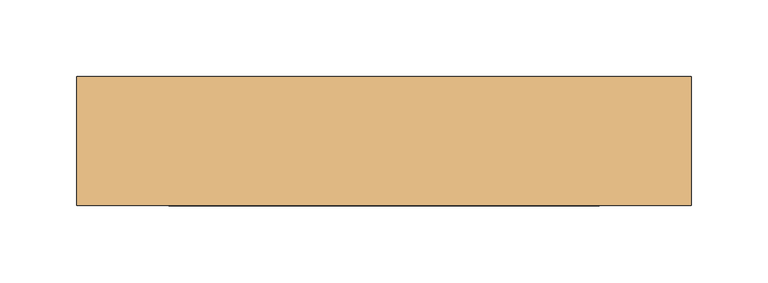
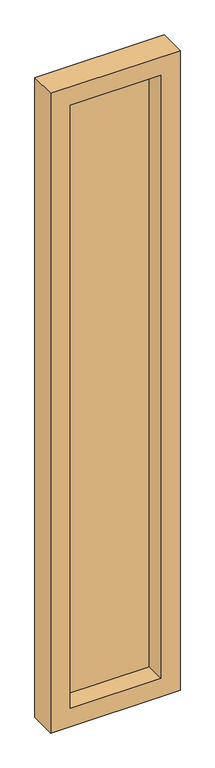
"""IFC4 building model written with IfcOpenShell, lengths in millimetres: door geometry."""

import ifcopenshell
import ifcopenshell.guid

model = None  # the IFC model being written
_history = None  # IfcOwnerHistory: only IFC2X3 demands one
_inside = {}  # id of a spatial element -> (the spatial element, [elements in it])
_under = {}  # id of a project, library or spatial element -> (it, [spatial elements below it])
_declared = {}  # id of a project -> (the project, [libraries it declares])
_typed = {}  # id of a type object -> (the type object, [elements of that type])
_made_of = {}  # id of a material, layer set ... -> (it, [elements and type objects made of it])


def new_model(schema):
    """Start an empty IFC model of exactly this schema.

    Asked for "IFC4X3", IfcOpenShell would pick the latest addendum, in which some entities
    have other attributes; the version numbers below select the first issue.
    IFC2X3 requires an IfcOwnerHistory on every rooted entity: one is made here for all.
    """
    global model, _history
    if schema == "IFC4X3":
        model = ifcopenshell.file(schema_version=(4, 3, 0, 0))
    else:
        model = ifcopenshell.file(schema=schema)
    _inside.clear()
    _under.clear()
    _declared.clear()
    _typed.clear()
    _made_of.clear()
    _history = None
    if model.schema == "IFC2X3":
        org = make("IfcOrganization", Name="unknown")
        user = make(
            "IfcPersonAndOrganization",
            ThePerson=make("IfcPerson", FamilyName="unknown"),
            TheOrganization=org,
        )
        app = make(
            "IfcApplication",
            ApplicationDeveloper=org,
            Version="unknown",
            ApplicationFullName="unknown",
            ApplicationIdentifier="unknown",
        )
        _history = make(
            "IfcOwnerHistory",
            OwningUser=user,
            OwningApplication=app,
            ChangeAction="ADDED",
            CreationDate=0,
        )
    return model


def make(cls, **values):
    """One entity of the class cls with the attributes given. An attribute that is None is left unset."""
    return model.create_entity(
        cls, **{name: value for name, value in values.items() if value is not None}
    )


def rooted(cls, **values):
    """An entity with a GlobalId (a new one), such as an element, a storey or a relation."""
    return make(cls, GlobalId=ifcopenshell.guid.new(), OwnerHistory=_history, **values)


def si_unit(unit_type, name, prefix=None):
    """IfcSIUnit, for example si_unit("LENGTHUNIT", "METRE", prefix="MILLI")."""
    return make("IfcSIUnit", UnitType=unit_type, Prefix=prefix, Name=name)


def assignment(units):
    """IfcUnitAssignment: the units of a project."""
    return None if units is None else make("IfcUnitAssignment", Units=units)


def point(xyz):
    """IfcCartesianPoint."""
    return None if xyz is None else make("IfcCartesianPoint", Coordinates=xyz)


def direction(xyz):
    """IfcDirection."""
    return None if xyz is None else make("IfcDirection", DirectionRatios=xyz)


def frame(location, z_axis=None, x_axis=None):
    """IfcAxis2Placement3D, a coordinate frame: its origin and axes. An axis left out is left unset."""
    return make(
        "IfcAxis2Placement3D",
        Location=point(location),
        Axis=direction(z_axis),
        RefDirection=direction(x_axis),
    )


def origin():
    """The frame at (0, 0, 0) with its axes left unset."""
    return frame((0.0, 0.0, 0.0))


def place(relative_to, where):
    """IfcLocalPlacement: puts the frame where relative to a parent placement (None: the world)."""
    return make(
        "IfcLocalPlacement", PlacementRelTo=relative_to, RelativePlacement=where
    )


def context(
    kind, dimensions, precision=None, world=None, true_north=None, identifier=None
):
    """IfcGeometricRepresentationContext, for example the 3D "Model" context."""
    return make(
        "IfcGeometricRepresentationContext",
        ContextIdentifier=identifier,
        ContextType=kind,
        CoordinateSpaceDimension=dimensions,
        Precision=precision,
        WorldCoordinateSystem=world,
        TrueNorth=true_north,
    )


def project(units=None, contexts=None):
    """IfcProject with its units and contexts."""
    return rooted(
        "IfcProject",
        Name="project",
        RepresentationContexts=contexts,
        UnitsInContext=assignment(units),
    )


def spatial(cls, under=None, at=None, **own):
    """A site, building, storey or space (cls), placed at a placement, below another one or the project."""
    s = rooted(cls, ObjectPlacement=at, **own)
    if under is not None:
        _under.setdefault(under.id(), (under, []))[1].append(s)
    return s


def polyline(points):
    """IfcPolyline through the points."""
    return make("IfcPolyline", Points=[point(p) for p in points])


def outline(outer, holes=None, kind="AREA"):
    """IfcArbitraryClosedProfileDef: a profile drawn as a closed curve; with holes, ...WithVoids."""
    if holes is None:
        return make("IfcArbitraryClosedProfileDef", ProfileType=kind, OuterCurve=outer)
    return make(
        "IfcArbitraryProfileDefWithVoids",
        ProfileType=kind,
        OuterCurve=outer,
        InnerCurves=holes,
    )


def extrude(swept, where, along, depth):
    """IfcExtrudedAreaSolid: the profile swept, set in the frame where, extruded along a direction by depth."""
    return make(
        "IfcExtrudedAreaSolid",
        SweptArea=swept,
        Position=where,
        ExtrudedDirection=direction(along),
        Depth=depth,
    )


def shape(context_of_items, identifier, shape_type, items):
    """IfcShapeRepresentation: the items that make up one representation, for example the "Body"."""
    return make(
        "IfcShapeRepresentation",
        ContextOfItems=context_of_items,
        RepresentationIdentifier=identifier,
        RepresentationType=shape_type,
        Items=items,
    )


def source(mapping_origin, context_of_items, identifier, shape_type, items):
    """IfcRepresentationMap: a shape defined once, which mapped items show again and again."""
    return make(
        "IfcRepresentationMap",
        MappingOrigin=mapping_origin,
        MappedRepresentation=shape(context_of_items, identifier, shape_type, items),
    )


def transform(
    local_origin,
    x_axis=None,
    y_axis=None,
    z_axis=None,
    scale=None,
    scale2=None,
    scale3=None,
    uniform=True,
):
    """IfcCartesianTransformationOperator3D, or its non-uniform kind. x_axis, y_axis, z_axis: its Axis1, 2, 3."""
    if uniform:
        return make(
            "IfcCartesianTransformationOperator3D",
            Axis1=direction(x_axis),
            Axis2=direction(y_axis),
            LocalOrigin=point(local_origin),
            Scale=scale,
            Axis3=direction(z_axis),
        )
    return make(
        "IfcCartesianTransformationOperator3DnonUniform",
        Axis1=direction(x_axis),
        Axis2=direction(y_axis),
        LocalOrigin=point(local_origin),
        Scale=scale,
        Axis3=direction(z_axis),
        Scale2=scale2,
        Scale3=scale3,
    )


def mapped(mapping_source, mapping_target):
    """IfcMappedItem: shows the shape of a source again, moved by a transform."""
    return make(
        "IfcMappedItem", MappingSource=mapping_source, MappingTarget=mapping_target
    )


def made_of(thing, what):
    """Note that an element or type object is made of a material, layer set ...; save() writes the relation."""
    if what is not None:
        _made_of.setdefault(what.id(), (what, []))[1].append(thing)
    return thing


def element(
    cls,
    number,
    at=None,
    inside=None,
    cuts=None,
    type_object=None,
    material=None,
    context=None,
    identifier="Body",
    shape_type=None,
    held_by="IfcProductDefinitionShape",
    body=None,
    shapes=None,
    **own,
):
    """One element of the class cls, such as IfcWall. Its Tag is "e" and its number.

    at: its placement. inside: the storey or other place that contains it. cuts: it is an
    opening in that element (IfcRelVoidsElement). A single representation is given by context,
    identifier, shape_type and body (its items); several are given by shapes. held_by: the class
    of the entity that holds the representations. save() writes the other relations.
    """
    e = rooted(cls, Tag="e%d" % number, ObjectPlacement=at, **own)
    if body is not None:
        shapes = [shape(context, identifier, shape_type, body)]
    if shapes is not None:
        e.Representation = make(held_by, Representations=shapes)
    if inside is not None:
        _inside.setdefault(inside.id(), (inside, []))[1].append(e)
    if cuts is not None:
        rooted(
            "IfcRelVoidsElement", RelatingBuildingElement=cuts, RelatedOpeningElement=e
        )
    if type_object is not None:
        _typed.setdefault(type_object.id(), (type_object, []))[1].append(e)
    return made_of(e, material)


def aggregate(whole, parts):
    """IfcRelAggregates: a whole, such as a stair, and the parts it consists of."""
    return rooted("IfcRelAggregates", RelatingObject=whole, RelatedObjects=parts)


def save(model, path):
    """Write the relations noted so far, then the file.

    IfcRelAggregates (storeys below a building ...), IfcRelContainedInSpatialStructure (elements
    in a storey), IfcRelDefinesByType, IfcRelAssociatesMaterial and IfcRelDeclares: one each for
    every whole, place, type object, material and project.
    """
    for whole, parts in _under.values():
        aggregate(whole, parts)
    for where, things in _inside.values():
        rooted(
            "IfcRelContainedInSpatialStructure",
            RelatedElements=things,
            RelatingStructure=where,
        )
    for kind, things in _typed.values():
        rooted("IfcRelDefinesByType", RelatedObjects=things, RelatingType=kind)
    for what, things in _made_of.values():
        rooted("IfcRelAssociatesMaterial", RelatedObjects=things, RelatingMaterial=what)
    for by, libraries in _declared.values():
        rooted("IfcRelDeclares", RelatingContext=by, RelatedDefinitions=libraries)
    model.write(path)


def door_2b2e0245(model_context):
    return source(origin(), model_context, "Body", "SweptSolid", [
        extrude(outline(polyline([(140.0, 2.0), (140.0, -2.0), (-140.0, -2.0), (-140.0, 2.0), (140.0, 2.0)])), frame((0.0, 0.0, 60.0), z_axis=(0.0, 0.0, 1.0), x_axis=(1.0, 0.0, 0.0)), (0.0, 0.0, 1.0), 1970.0),
        extrude(outline(polyline([(2090.0, 200.0), (2090.0, -200.0), (0.0, -200.0), (0.0, 200.0), (2090.0, 200.0)]), holes=[polyline([(60.0, 140.0), (60.0, -140.0), (2030.0, -140.0), (2030.0, 140.0), (60.0, 140.0)])]), frame((0.0, -64.0, 0.0), z_axis=(0.0, 1.0, 0.0), x_axis=(0.0, 0.0, 1.0)), (0.0, 0.0, 1.0), 84.0),
    ])


if __name__ == "__main__":
    model = new_model("IFC4")
    model_context = context("Model", 3, world=origin())
    ifc_project = project(units=[si_unit("LENGTHUNIT", "METRE", prefix="MILLI")], contexts=[model_context])
    site = spatial("IfcSite", under=ifc_project)
    building = spatial("IfcBuilding", under=site)
    placement = place(None, origin())
    door_shape = door_2b2e0245(model_context)
    element("IfcDoor", 1, at=placement, inside=building, context=model_context, shape_type="MappedRepresentation", body=[
        mapped(door_shape, transform((0.0, 0.0, 0.0), x_axis=(1.0, 0.0, 0.0), y_axis=(0.0, 1.0, 0.0), z_axis=(0.0, 0.0, 1.0))),
    ])
    save(model, "model.ifc")
